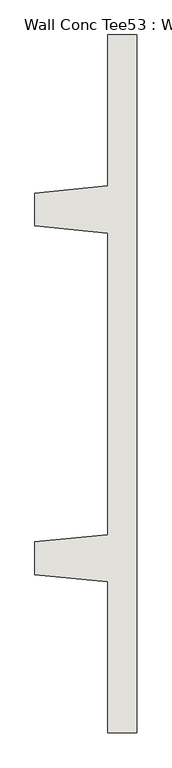
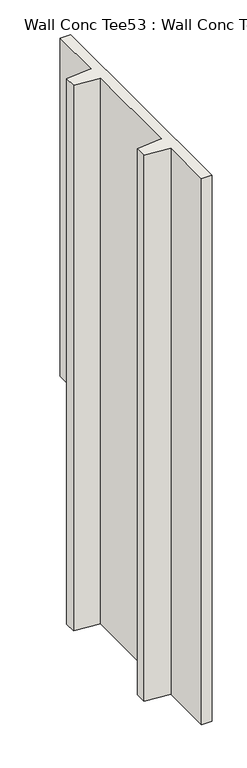
"""IFC4 building model written with IfcOpenShell, lengths in millimetres: wall geometry, Wall Conc Tee53 : Wall Conc Tee."""

from ifc_helpers import new_model, si_unit, origin, place, context, project, spatial, faceted_brep, source, transform, mapped, element, save


def wall_conc_tee53_wall_conc_tee_b74d8fb6(model_context):
    return source(origin(), model_context, "Body", "Brep", [
        faceted_brep([(204051.6728488, 177889.6596581, 5884.1592564), (204051.6728488, 180328.0596581, 5884.1592564), (203950.0728488, 180328.0596581, 5884.1592564), (203950.0728488, 179801.0096581, 5884.1592564), (203696.0728488, 179775.6096581, 5884.1592564), (203696.0728488, 179661.3096581, 5884.1592564), (203950.0728488, 179635.9096581, 5884.1592564), (203950.0728488, 178581.8096581, 5884.1592564), (203696.0728488, 178556.4096581, 5884.1592564), (203696.0728488, 178442.1096581, 5884.1592564), (203950.0728488, 178416.7096581, 5884.1592564), (203950.0728488, 177889.6596581, 5884.1592564), (204051.6728488, 177889.6596581, 143.7592564), (203950.0728488, 177889.6596581, 143.7592564), (203950.0728488, 178416.7096581, 143.7592564), (203696.0728488, 178442.1096581, 143.7592564), (203696.0728488, 178556.4096581, 143.7592564), (203950.0728488, 178581.8096581, 143.7592564), (203950.0728488, 179635.9096581, 143.7592564), (203696.0728488, 179661.3096581, 143.7592564), (203696.0728488, 179775.6096581, 143.7592564), (203950.0728488, 179801.0096581, 143.7592564), (203950.0728488, 179820.0596581, 143.7592564), (204051.6728488, 179820.0596581, 143.7592564), (204051.6728488, 179820.0596581, 2328.1592564), (204051.6728488, 180328.0596581, 2328.1592564), (203950.0728488, 180328.0596581, 2328.1592564), (203950.0728488, 179820.0596581, 2328.1592564)], [[[0, 1, 2, 3, 4, 5, 6, 7, 8, 9, 10, 11]], [[12, 13, 14, 15, 16, 17, 18, 19, 20, 21, 22, 23]], [[1, 0, 12, 23, 24, 25]], [[2, 1, 25, 26]], [[3, 2, 26, 27, 22, 21]], [[4, 3, 21, 20]], [[5, 4, 20, 19]], [[6, 5, 19, 18]], [[7, 6, 18, 17]], [[8, 7, 17, 16]], [[9, 8, 16, 15]], [[10, 9, 15, 14]], [[11, 10, 14, 13]], [[0, 11, 13, 12]], [[24, 27, 26, 25]], [[27, 24, 23, 22]]]),
    ])


if __name__ == "__main__":
    model = new_model("IFC4")
    model_context = context("Model", 3, world=origin())
    ifc_project = project(units=[si_unit("LENGTHUNIT", "METRE", prefix="MILLI")], contexts=[model_context])
    site = spatial("IfcSite", under=ifc_project)
    building = spatial("IfcBuilding", under=site)
    placement = place(None, origin())
    wall_conc_tee53_wall_conc_tee_shape = wall_conc_tee53_wall_conc_tee_b74d8fb6(model_context)
    element("IfcWall", 1, ObjectType="Wall Conc Tee53 : Wall Conc Tee", at=placement, inside=building, context=model_context, shape_type="MappedRepresentation", body=[
        mapped(wall_conc_tee53_wall_conc_tee_shape, transform((0.0, 0.0, 0.0), x_axis=(1.0, 0.0, 0.0), y_axis=(0.0, 1.0, 0.0), z_axis=(0.0, 0.0, 1.0))),
    ])
    save(model, "model.ifc")
